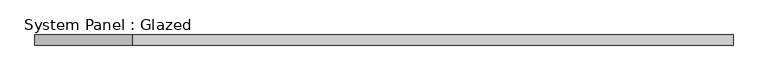
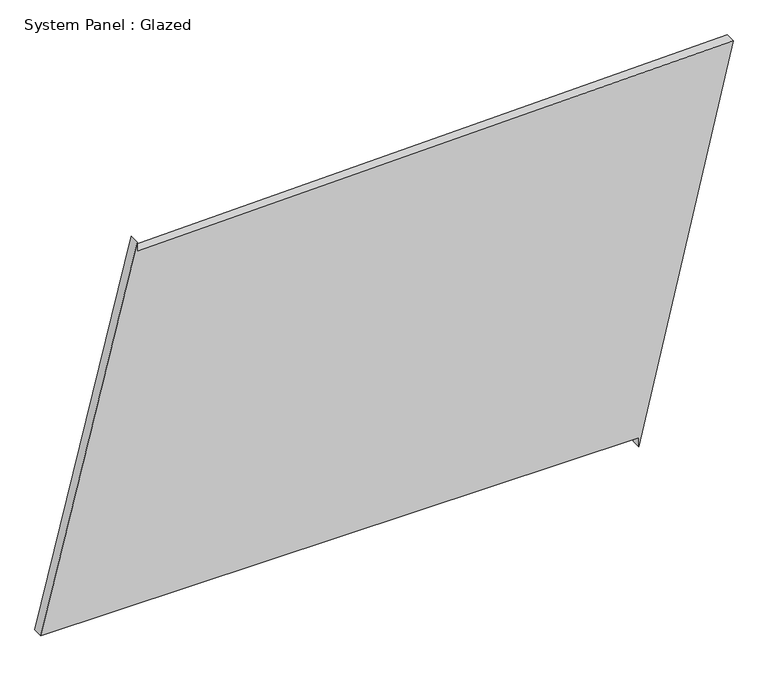
"""IFC4 building model written with IfcOpenShell, lengths in millimetres: plate geometry, System Panel : Glazed."""

from ifc_helpers import new_model, si_unit, frame, origin, place, context, project, spatial, polyline, outline, extrude, source, transform, mapped, element, save


def system_panel_glazed_7623a7a0(model_context):
    return source(origin(), model_context, "Body", "SweptSolid", [
        extrude(outline(polyline([(25.0, 629.3143665), (0.0, 629.3143665), (990.6490323, 864.8086567), (954.9971172, -623.4319854), (979.9899468, -624.0307073), (25.0, -864.8086567), (25.0, 629.3143665)])), frame((0.0, -49.5, 0.0), z_axis=(0.0, 1.0, 0.0), x_axis=(0.0, 0.0, 1.0)), (0.0, 0.0, 1.0), 25.0),
    ])


if __name__ == "__main__":
    model = new_model("IFC4")
    model_context = context("Model", 3, world=origin())
    ifc_project = project(units=[si_unit("LENGTHUNIT", "METRE", prefix="MILLI")], contexts=[model_context])
    site = spatial("IfcSite", under=ifc_project)
    building = spatial("IfcBuilding", under=site)
    placement = place(None, origin())
    system_panel_glazed_shape = system_panel_glazed_7623a7a0(model_context)
    element("IfcPlate", 1, ObjectType="System Panel : Glazed", at=placement, inside=building, context=model_context, shape_type="MappedRepresentation", body=[
        mapped(system_panel_glazed_shape, transform((0.0, 0.0, 0.0), x_axis=(1.0, 0.0, 0.0), y_axis=(0.0, 1.0, 0.0), z_axis=(0.0, 0.0, 1.0))),
    ])
    save(model, "model.ifc")
